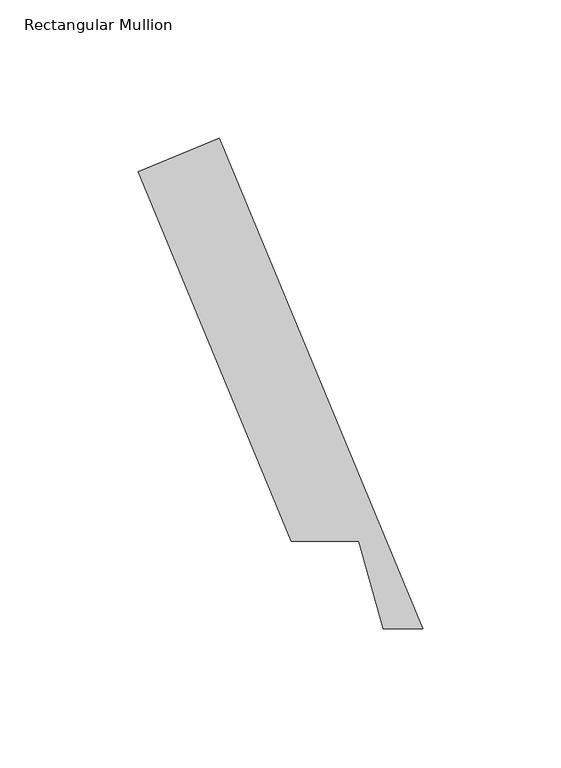
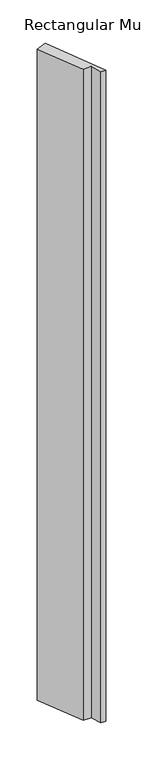
"""IFC4 building model written with IfcOpenShell, lengths in millimetres: member geometry, Rectangular Mullion."""

import ifcopenshell
import ifcopenshell.guid

model = None  # the IFC model being written
_history = None  # IfcOwnerHistory: only IFC2X3 demands one
_inside = {}  # id of a spatial element -> (the spatial element, [elements in it])
_under = {}  # id of a project, library or spatial element -> (it, [spatial elements below it])
_declared = {}  # id of a project -> (the project, [libraries it declares])
_typed = {}  # id of a type object -> (the type object, [elements of that type])
_made_of = {}  # id of a material, layer set ... -> (it, [elements and type objects made of it])


def new_model(schema):
    """Start an empty IFC model of exactly this schema.

    Asked for "IFC4X3", IfcOpenShell would pick the latest addendum, in which some entities
    have other attributes; the version numbers below select the first issue.
    IFC2X3 requires an IfcOwnerHistory on every rooted entity: one is made here for all.
    """
    global model, _history
    if schema == "IFC4X3":
        model = ifcopenshell.file(schema_version=(4, 3, 0, 0))
    else:
        model = ifcopenshell.file(schema=schema)
    _inside.clear()
    _under.clear()
    _declared.clear()
    _typed.clear()
    _made_of.clear()
    _history = None
    if model.schema == "IFC2X3":
        org = make("IfcOrganization", Name="unknown")
        user = make(
            "IfcPersonAndOrganization",
            ThePerson=make("IfcPerson", FamilyName="unknown"),
            TheOrganization=org,
        )
        app = make(
            "IfcApplication",
            ApplicationDeveloper=org,
            Version="unknown",
            ApplicationFullName="unknown",
            ApplicationIdentifier="unknown",
        )
        _history = make(
            "IfcOwnerHistory",
            OwningUser=user,
            OwningApplication=app,
            ChangeAction="ADDED",
            CreationDate=0,
        )
    return model


def make(cls, **values):
    """One entity of the class cls with the attributes given. An attribute that is None is left unset."""
    return model.create_entity(
        cls, **{name: value for name, value in values.items() if value is not None}
    )


def rooted(cls, **values):
    """An entity with a GlobalId (a new one), such as an element, a storey or a relation."""
    return make(cls, GlobalId=ifcopenshell.guid.new(), OwnerHistory=_history, **values)


def si_unit(unit_type, name, prefix=None):
    """IfcSIUnit, for example si_unit("LENGTHUNIT", "METRE", prefix="MILLI")."""
    return make("IfcSIUnit", UnitType=unit_type, Prefix=prefix, Name=name)


def assignment(units):
    """IfcUnitAssignment: the units of a project."""
    return None if units is None else make("IfcUnitAssignment", Units=units)


def point(xyz):
    """IfcCartesianPoint."""
    return None if xyz is None else make("IfcCartesianPoint", Coordinates=xyz)


def direction(xyz):
    """IfcDirection."""
    return None if xyz is None else make("IfcDirection", DirectionRatios=xyz)


def frame(location, z_axis=None, x_axis=None):
    """IfcAxis2Placement3D, a coordinate frame: its origin and axes. An axis left out is left unset."""
    return make(
        "IfcAxis2Placement3D",
        Location=point(location),
        Axis=direction(z_axis),
        RefDirection=direction(x_axis),
    )


def origin():
    """The frame at (0, 0, 0) with its axes left unset."""
    return frame((0.0, 0.0, 0.0))


def place(relative_to, where):
    """IfcLocalPlacement: puts the frame where relative to a parent placement (None: the world)."""
    return make(
        "IfcLocalPlacement", PlacementRelTo=relative_to, RelativePlacement=where
    )


def context(
    kind, dimensions, precision=None, world=None, true_north=None, identifier=None
):
    """IfcGeometricRepresentationContext, for example the 3D "Model" context."""
    return make(
        "IfcGeometricRepresentationContext",
        ContextIdentifier=identifier,
        ContextType=kind,
        CoordinateSpaceDimension=dimensions,
        Precision=precision,
        WorldCoordinateSystem=world,
        TrueNorth=true_north,
    )


def project(units=None, contexts=None):
    """IfcProject with its units and contexts."""
    return rooted(
        "IfcProject",
        Name="project",
        RepresentationContexts=contexts,
        UnitsInContext=assignment(units),
    )


def spatial(cls, under=None, at=None, **own):
    """A site, building, storey or space (cls), placed at a placement, below another one or the project."""
    s = rooted(cls, ObjectPlacement=at, **own)
    if under is not None:
        _under.setdefault(under.id(), (under, []))[1].append(s)
    return s


def polyline(points):
    """IfcPolyline through the points."""
    return make("IfcPolyline", Points=[point(p) for p in points])


def outline(outer, holes=None, kind="AREA"):
    """IfcArbitraryClosedProfileDef: a profile drawn as a closed curve; with holes, ...WithVoids."""
    if holes is None:
        return make("IfcArbitraryClosedProfileDef", ProfileType=kind, OuterCurve=outer)
    return make(
        "IfcArbitraryProfileDefWithVoids",
        ProfileType=kind,
        OuterCurve=outer,
        InnerCurves=holes,
    )


def extrude(swept, where, along, depth):
    """IfcExtrudedAreaSolid: the profile swept, set in the frame where, extruded along a direction by depth."""
    return make(
        "IfcExtrudedAreaSolid",
        SweptArea=swept,
        Position=where,
        ExtrudedDirection=direction(along),
        Depth=depth,
    )


def shape(context_of_items, identifier, shape_type, items):
    """IfcShapeRepresentation: the items that make up one representation, for example the "Body"."""
    return make(
        "IfcShapeRepresentation",
        ContextOfItems=context_of_items,
        RepresentationIdentifier=identifier,
        RepresentationType=shape_type,
        Items=items,
    )


def source(mapping_origin, context_of_items, identifier, shape_type, items):
    """IfcRepresentationMap: a shape defined once, which mapped items show again and again."""
    return make(
        "IfcRepresentationMap",
        MappingOrigin=mapping_origin,
        MappedRepresentation=shape(context_of_items, identifier, shape_type, items),
    )


def transform(
    local_origin,
    x_axis=None,
    y_axis=None,
    z_axis=None,
    scale=None,
    scale2=None,
    scale3=None,
    uniform=True,
):
    """IfcCartesianTransformationOperator3D, or its non-uniform kind. x_axis, y_axis, z_axis: its Axis1, 2, 3."""
    if uniform:
        return make(
            "IfcCartesianTransformationOperator3D",
            Axis1=direction(x_axis),
            Axis2=direction(y_axis),
            LocalOrigin=point(local_origin),
            Scale=scale,
            Axis3=direction(z_axis),
        )
    return make(
        "IfcCartesianTransformationOperator3DnonUniform",
        Axis1=direction(x_axis),
        Axis2=direction(y_axis),
        LocalOrigin=point(local_origin),
        Scale=scale,
        Axis3=direction(z_axis),
        Scale2=scale2,
        Scale3=scale3,
    )


def mapped(mapping_source, mapping_target):
    """IfcMappedItem: shows the shape of a source again, moved by a transform."""
    return make(
        "IfcMappedItem", MappingSource=mapping_source, MappingTarget=mapping_target
    )


def made_of(thing, what):
    """Note that an element or type object is made of a material, layer set ...; save() writes the relation."""
    if what is not None:
        _made_of.setdefault(what.id(), (what, []))[1].append(thing)
    return thing


def element(
    cls,
    number,
    at=None,
    inside=None,
    cuts=None,
    type_object=None,
    material=None,
    context=None,
    identifier="Body",
    shape_type=None,
    held_by="IfcProductDefinitionShape",
    body=None,
    shapes=None,
    **own,
):
    """One element of the class cls, such as IfcWall. Its Tag is "e" and its number.

    at: its placement. inside: the storey or other place that contains it. cuts: it is an
    opening in that element (IfcRelVoidsElement). A single representation is given by context,
    identifier, shape_type and body (its items); several are given by shapes. held_by: the class
    of the entity that holds the representations. save() writes the other relations.
    """
    e = rooted(cls, Tag="e%d" % number, ObjectPlacement=at, **own)
    if body is not None:
        shapes = [shape(context, identifier, shape_type, body)]
    if shapes is not None:
        e.Representation = make(held_by, Representations=shapes)
    if inside is not None:
        _inside.setdefault(inside.id(), (inside, []))[1].append(e)
    if cuts is not None:
        rooted(
            "IfcRelVoidsElement", RelatingBuildingElement=cuts, RelatedOpeningElement=e
        )
    if type_object is not None:
        _typed.setdefault(type_object.id(), (type_object, []))[1].append(e)
    return made_of(e, material)


def aggregate(whole, parts):
    """IfcRelAggregates: a whole, such as a stair, and the parts it consists of."""
    return rooted("IfcRelAggregates", RelatingObject=whole, RelatedObjects=parts)


def save(model, path):
    """Write the relations noted so far, then the file.

    IfcRelAggregates (storeys below a building ...), IfcRelContainedInSpatialStructure (elements
    in a storey), IfcRelDefinesByType, IfcRelAssociatesMaterial and IfcRelDeclares: one each for
    every whole, place, type object, material and project.
    """
    for whole, parts in _under.values():
        aggregate(whole, parts)
    for where, things in _inside.values():
        rooted(
            "IfcRelContainedInSpatialStructure",
            RelatedElements=things,
            RelatingStructure=where,
        )
    for kind, things in _typed.values():
        rooted("IfcRelDefinesByType", RelatedObjects=things, RelatingType=kind)
    for what, things in _made_of.values():
        rooted("IfcRelAssociatesMaterial", RelatedObjects=things, RelatingMaterial=what)
    for by, libraries in _declared.values():
        rooted("IfcRelDeclares", RelatingContext=by, RelatedDefinitions=libraries)
    model.write(path)


def rectangular_mullion_c0192bbc(model_context):
    return source(origin(), model_context, "Body", "SweptSolid", [
        extrude(outline(polyline([(-81.4658809, 196.4748123), (-7.9741173, 19.05), (-22.2491655, 19.05), (-31.0852157, 50.8), (-55.4913503, 50.8), (-110.7990561, 184.3246133), (-81.4658809, 196.4748123)])), frame((0.0, 0.0, -1993.8999999), z_axis=(0.0, 0.0, 1.0), x_axis=(1.0, 0.0, 0.0)), (0.0, 0.0, 1.0), 1993.8999999),
    ])


if __name__ == "__main__":
    model = new_model("IFC4")
    model_context = context("Model", 3, world=origin())
    ifc_project = project(units=[si_unit("LENGTHUNIT", "METRE", prefix="MILLI")], contexts=[model_context])
    site = spatial("IfcSite", under=ifc_project)
    building = spatial("IfcBuilding", under=site)
    placement = place(None, origin())
    rectangular_mullion_shape = rectangular_mullion_c0192bbc(model_context)
    element("IfcMember", 1, ObjectType="Rectangular Mullion", at=placement, inside=building, context=model_context, shape_type="MappedRepresentation", body=[
        mapped(rectangular_mullion_shape, transform((0.0, 0.0, 0.0), x_axis=(1.0, 0.0, 0.0), y_axis=(0.0, 1.0, 0.0), z_axis=(0.0, 0.0, 1.0))),
    ])
    save(model, "model.ifc")
